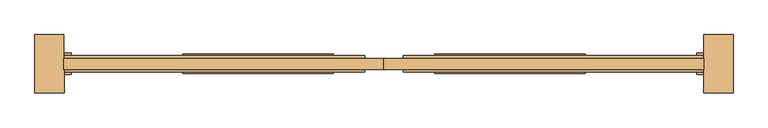
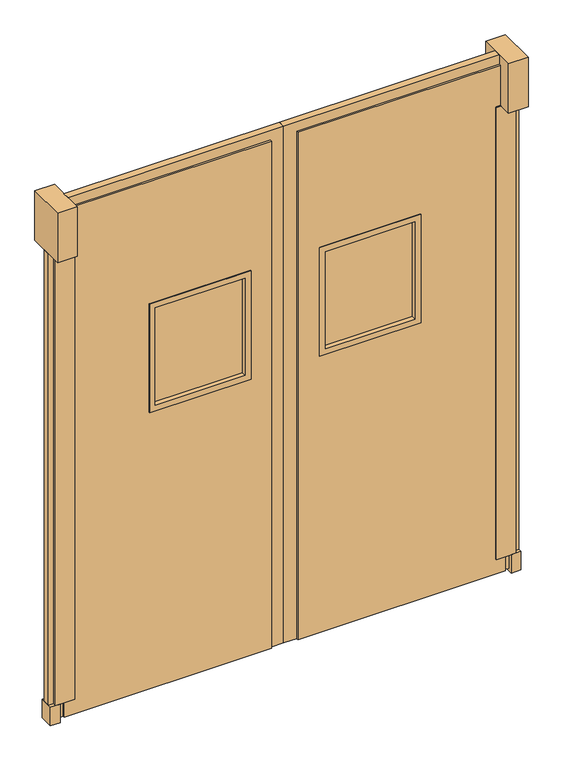
"""IFC4 building model written with IfcOpenShell, lengths in millimetres: door geometry."""

from ifc_helpers import new_model, si_unit, frame, origin, origin_with_axes, place, context, project, spatial, polyline, outline, extrude, source, transform, mapped, element, save


def door_96e112ea(model_context):
    return source(origin(), model_context, "Body", "SweptSolid", [
        extrude(outline(polyline([(2509.1906968, -890.4222938), (2509.1906968, -834.8597938), (2547.2906968, -834.8597938), (2547.2906968, -890.4222938), (2509.1906968, -890.4222938)])), origin_with_axes(), (0.0, 0.0, 1.0), 76.2),
        extrude(outline(polyline([(2095.5, 1683.6906968), (2095.5, 2471.0906968), (2133.6, 2471.0906968), (2133.6, 1632.8906968), (12.7, 1632.8906968), (12.7, 1683.6906968), (2095.5, 1683.6906968)])), frame((0.0, -877.0932133, 0.0), z_axis=(0.0, 1.0, 0.0), x_axis=(0.0, 0.0, 1.0)), (0.0, 0.0, 1.0), 28.8005507),
        extrude(outline(polyline([(2528.2406968, -877.0932133), (2528.2406968, -848.2926626), (2547.2906968, -848.2926626), (2547.2906968, -877.0932133), (2528.2406968, -877.0932133)])), frame((0.0, 0.0, 76.2), z_axis=(0.0, 0.0, 1.0), x_axis=(1.0, 0.0, 0.0)), (0.0, 0.0, 1.0), 1854.2),
        extrude(outline(polyline([(2490.1406968, -877.0932133), (2490.1406968, -848.2926626), (2509.1906968, -848.2926626), (2509.1906968, -877.0932133), (2490.1406968, -877.0932133)])), frame((0.0, 0.0, 12.7), z_axis=(0.0, 0.0, 1.0), x_axis=(1.0, 0.0, 0.0)), (0.0, 0.0, 1.0), 63.5),
        extrude(outline(polyline([(2452.0406968, -890.4222938), (2452.0406968, -834.8597938), (2528.2406968, -834.8597938), (2528.2406968, -890.4222938), (2452.0406968, -890.4222938)])), frame((0.0, 0.0, 76.2), z_axis=(0.0, 0.0, 1.0), x_axis=(1.0, 0.0, 0.0)), (0.0, 0.0, 1.0), 1854.2),
        extrude(outline(polyline([(2471.0906968, -938.8410438), (2471.0906968, -786.4410438), (2547.2906968, -786.4410438), (2547.2906968, -938.8410438), (2471.0906968, -938.8410438)])), frame((0.0, 0.0, 1930.4), z_axis=(0.0, 0.0, 1.0), x_axis=(1.0, 0.0, 0.0)), (0.0, 0.0, 1.0), 203.2),
        extrude(outline(polyline([(1788.4656968, -868.9910438), (1788.4656968, -856.2910438), (2137.7156968, -856.2910438), (2137.7156968, -868.9910438), (1788.4656968, -868.9910438)])), frame((0.0, 0.0, 1171.575), z_axis=(0.0, 0.0, 1.0), x_axis=(1.0, 0.0, 0.0)), (0.0, 0.0, 1.0), 400.05),
        extrude(outline(polyline([(1593.85, 1766.2406968), (1149.35, 1766.2406968), (1149.35, 2159.9406968), (1593.85, 2159.9406968), (1593.85, 1766.2406968)]), holes=[polyline([(1171.575, 1788.4656968), (1571.625, 1788.4656968), (1571.625, 2137.7156968), (1171.575, 2137.7156968), (1171.575, 1788.4656968)])]), frame((0.0, -888.0410438, 0.0), z_axis=(0.0, 1.0, 0.0), x_axis=(0.0, 0.0, 1.0)), (0.0, 0.0, 1.0), 50.8),
        extrude(outline(polyline([(2095.5, 1683.6906968), (12.7, 1683.6906968), (12.7, 2490.1406968), (2095.5, 2490.1406968), (2095.5, 1683.6906968)]), holes=[polyline([(1574.8, 1785.2906968), (1574.8, 2140.8906968), (1168.4, 2140.8906968), (1168.4, 1785.2906968), (1574.8, 1785.2906968)])]), frame((0.0, -884.8660438, 0.0), z_axis=(0.0, 1.0, 0.0), x_axis=(0.0, 0.0, 1.0)), (0.0, 0.0, 1.0), 44.45),
        extrude(outline(polyline([(756.5906968, -890.4222938), (718.4906968, -890.4222938), (718.4906968, -834.8597938), (756.5906968, -834.8597938), (756.5906968, -890.4222938)])), origin_with_axes(), (0.0, 0.0, 1.0), 76.2),
        extrude(outline(polyline([(2095.5, 1582.0906968), (12.7, 1582.0906968), (12.7, 1632.8906968), (2133.6, 1632.8906968), (2133.6, 794.6906968), (2095.5, 794.6906968), (2095.5, 1582.0906968)])), frame((0.0, -877.0932133, 0.0), z_axis=(0.0, 1.0, 0.0), x_axis=(0.0, 0.0, 1.0)), (0.0, 0.0, 1.0), 28.8005507),
        extrude(outline(polyline([(737.5406968, -877.0932133), (718.4906968, -877.0932133), (718.4906968, -848.2926626), (737.5406968, -848.2926626), (737.5406968, -877.0932133)])), frame((0.0, 0.0, 76.2), z_axis=(0.0, 0.0, 1.0), x_axis=(1.0, 0.0, 0.0)), (0.0, 0.0, 1.0), 1854.2),
        extrude(outline(polyline([(775.6406968, -877.0932133), (756.5906968, -877.0932133), (756.5906968, -848.2926626), (775.6406968, -848.2926626), (775.6406968, -877.0932133)])), frame((0.0, 0.0, 12.7), z_axis=(0.0, 0.0, 1.0), x_axis=(1.0, 0.0, 0.0)), (0.0, 0.0, 1.0), 63.5),
        extrude(outline(polyline([(813.7406968, -890.4222938), (737.5406968, -890.4222938), (737.5406968, -834.8597938), (813.7406968, -834.8597938), (813.7406968, -890.4222938)])), frame((0.0, 0.0, 76.2), z_axis=(0.0, 0.0, 1.0), x_axis=(1.0, 0.0, 0.0)), (0.0, 0.0, 1.0), 1854.2),
        extrude(outline(polyline([(794.6906968, -938.8410438), (718.4906968, -938.8410438), (718.4906968, -786.4410438), (794.6906968, -786.4410438), (794.6906968, -938.8410438)])), frame((0.0, 0.0, 1930.4), z_axis=(0.0, 0.0, 1.0), x_axis=(1.0, 0.0, 0.0)), (0.0, 0.0, 1.0), 203.2),
        extrude(outline(polyline([(1477.3156968, -868.9910438), (1128.0656968, -868.9910438), (1128.0656968, -856.2910438), (1477.3156968, -856.2910438), (1477.3156968, -868.9910438)])), frame((0.0, 0.0, 1171.575), z_axis=(0.0, 0.0, 1.0), x_axis=(1.0, 0.0, 0.0)), (0.0, 0.0, 1.0), 400.05),
        extrude(outline(polyline([(1593.85, 1499.5406968), (1593.85, 1105.8406968), (1149.35, 1105.8406968), (1149.35, 1499.5406968), (1593.85, 1499.5406968)]), holes=[polyline([(1171.575, 1477.3156968), (1171.575, 1128.0656968), (1571.625, 1128.0656968), (1571.625, 1477.3156968), (1171.575, 1477.3156968)])]), frame((0.0, -888.0410438, 0.0), z_axis=(0.0, 1.0, 0.0), x_axis=(0.0, 0.0, 1.0)), (0.0, 0.0, 1.0), 50.8),
        extrude(outline(polyline([(2095.5, 1582.0906968), (2095.5, 775.6406968), (12.7, 775.6406968), (12.7, 1582.0906968), (2095.5, 1582.0906968)]), holes=[polyline([(1574.8, 1480.4906968), (1168.4, 1480.4906968), (1168.4, 1124.8906968), (1574.8, 1124.8906968), (1574.8, 1480.4906968)])]), frame((0.0, -884.8660438, 0.0), z_axis=(0.0, 1.0, 0.0), x_axis=(0.0, 0.0, 1.0)), (0.0, 0.0, 1.0), 44.45),
    ])


if __name__ == "__main__":
    model = new_model("IFC4")
    model_context = context("Model", 3, world=origin())
    ifc_project = project(units=[si_unit("LENGTHUNIT", "METRE", prefix="MILLI")], contexts=[model_context])
    site = spatial("IfcSite", under=ifc_project)
    building = spatial("IfcBuilding", under=site)
    placement = place(None, origin())
    door_shape = door_96e112ea(model_context)
    element("IfcDoor", 1, at=placement, inside=building, context=model_context, shape_type="MappedRepresentation", body=[
        mapped(door_shape, transform((0.0, 0.0, 0.0), x_axis=(1.0, 0.0, 0.0), y_axis=(0.0, 1.0, 0.0), z_axis=(0.0, 0.0, 1.0))),
    ])
    save(model, "model.ifc")
